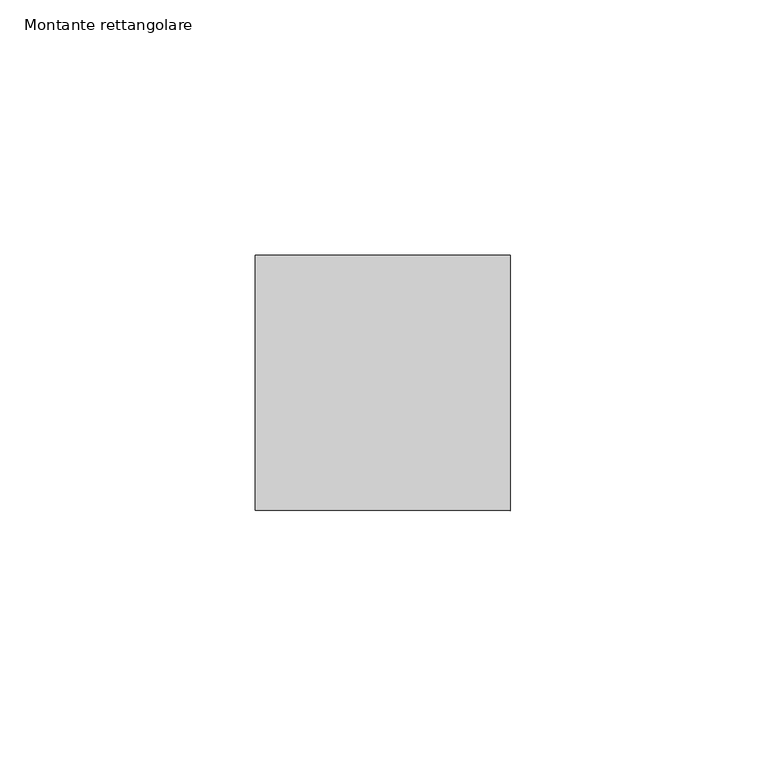
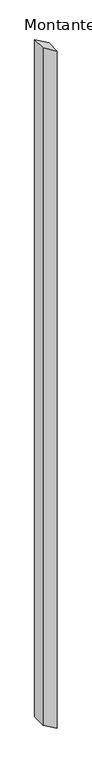
"""IFC4 building model written with IfcOpenShell, lengths in millimetres: member geometry, Montante rettangolare."""

import ifcopenshell
import ifcopenshell.guid

model = None  # the IFC model being written
_history = None  # IfcOwnerHistory: only IFC2X3 demands one
_inside = {}  # id of a spatial element -> (the spatial element, [elements in it])
_under = {}  # id of a project, library or spatial element -> (it, [spatial elements below it])
_declared = {}  # id of a project -> (the project, [libraries it declares])
_typed = {}  # id of a type object -> (the type object, [elements of that type])
_made_of = {}  # id of a material, layer set ... -> (it, [elements and type objects made of it])


def new_model(schema):
    """Start an empty IFC model of exactly this schema.

    Asked for "IFC4X3", IfcOpenShell would pick the latest addendum, in which some entities
    have other attributes; the version numbers below select the first issue.
    IFC2X3 requires an IfcOwnerHistory on every rooted entity: one is made here for all.
    """
    global model, _history
    if schema == "IFC4X3":
        model = ifcopenshell.file(schema_version=(4, 3, 0, 0))
    else:
        model = ifcopenshell.file(schema=schema)
    _inside.clear()
    _under.clear()
    _declared.clear()
    _typed.clear()
    _made_of.clear()
    _history = None
    if model.schema == "IFC2X3":
        org = make("IfcOrganization", Name="unknown")
        user = make(
            "IfcPersonAndOrganization",
            ThePerson=make("IfcPerson", FamilyName="unknown"),
            TheOrganization=org,
        )
        app = make(
            "IfcApplication",
            ApplicationDeveloper=org,
            Version="unknown",
            ApplicationFullName="unknown",
            ApplicationIdentifier="unknown",
        )
        _history = make(
            "IfcOwnerHistory",
            OwningUser=user,
            OwningApplication=app,
            ChangeAction="ADDED",
            CreationDate=0,
        )
    return model


def make(cls, **values):
    """One entity of the class cls with the attributes given. An attribute that is None is left unset."""
    return model.create_entity(
        cls, **{name: value for name, value in values.items() if value is not None}
    )


def rooted(cls, **values):
    """An entity with a GlobalId (a new one), such as an element, a storey or a relation."""
    return make(cls, GlobalId=ifcopenshell.guid.new(), OwnerHistory=_history, **values)


def si_unit(unit_type, name, prefix=None):
    """IfcSIUnit, for example si_unit("LENGTHUNIT", "METRE", prefix="MILLI")."""
    return make("IfcSIUnit", UnitType=unit_type, Prefix=prefix, Name=name)


def assignment(units):
    """IfcUnitAssignment: the units of a project."""
    return None if units is None else make("IfcUnitAssignment", Units=units)


def point(xyz):
    """IfcCartesianPoint."""
    return None if xyz is None else make("IfcCartesianPoint", Coordinates=xyz)


def direction(xyz):
    """IfcDirection."""
    return None if xyz is None else make("IfcDirection", DirectionRatios=xyz)


def frame(location, z_axis=None, x_axis=None):
    """IfcAxis2Placement3D, a coordinate frame: its origin and axes. An axis left out is left unset."""
    return make(
        "IfcAxis2Placement3D",
        Location=point(location),
        Axis=direction(z_axis),
        RefDirection=direction(x_axis),
    )


def origin():
    """The frame at (0, 0, 0) with its axes left unset."""
    return frame((0.0, 0.0, 0.0))


def place(relative_to, where):
    """IfcLocalPlacement: puts the frame where relative to a parent placement (None: the world)."""
    return make(
        "IfcLocalPlacement", PlacementRelTo=relative_to, RelativePlacement=where
    )


def context(
    kind, dimensions, precision=None, world=None, true_north=None, identifier=None
):
    """IfcGeometricRepresentationContext, for example the 3D "Model" context."""
    return make(
        "IfcGeometricRepresentationContext",
        ContextIdentifier=identifier,
        ContextType=kind,
        CoordinateSpaceDimension=dimensions,
        Precision=precision,
        WorldCoordinateSystem=world,
        TrueNorth=true_north,
    )


def project(units=None, contexts=None):
    """IfcProject with its units and contexts."""
    return rooted(
        "IfcProject",
        Name="project",
        RepresentationContexts=contexts,
        UnitsInContext=assignment(units),
    )


def spatial(cls, under=None, at=None, **own):
    """A site, building, storey or space (cls), placed at a placement, below another one or the project."""
    s = rooted(cls, ObjectPlacement=at, **own)
    if under is not None:
        _under.setdefault(under.id(), (under, []))[1].append(s)
    return s


def polyline(points):
    """IfcPolyline through the points."""
    return make("IfcPolyline", Points=[point(p) for p in points])


def outline(outer, holes=None, kind="AREA"):
    """IfcArbitraryClosedProfileDef: a profile drawn as a closed curve; with holes, ...WithVoids."""
    if holes is None:
        return make("IfcArbitraryClosedProfileDef", ProfileType=kind, OuterCurve=outer)
    return make(
        "IfcArbitraryProfileDefWithVoids",
        ProfileType=kind,
        OuterCurve=outer,
        InnerCurves=holes,
    )


def extrude(swept, where, along, depth):
    """IfcExtrudedAreaSolid: the profile swept, set in the frame where, extruded along a direction by depth."""
    return make(
        "IfcExtrudedAreaSolid",
        SweptArea=swept,
        Position=where,
        ExtrudedDirection=direction(along),
        Depth=depth,
    )


def shape(context_of_items, identifier, shape_type, items):
    """IfcShapeRepresentation: the items that make up one representation, for example the "Body"."""
    return make(
        "IfcShapeRepresentation",
        ContextOfItems=context_of_items,
        RepresentationIdentifier=identifier,
        RepresentationType=shape_type,
        Items=items,
    )


def source(mapping_origin, context_of_items, identifier, shape_type, items):
    """IfcRepresentationMap: a shape defined once, which mapped items show again and again."""
    return make(
        "IfcRepresentationMap",
        MappingOrigin=mapping_origin,
        MappedRepresentation=shape(context_of_items, identifier, shape_type, items),
    )


def transform(
    local_origin,
    x_axis=None,
    y_axis=None,
    z_axis=None,
    scale=None,
    scale2=None,
    scale3=None,
    uniform=True,
):
    """IfcCartesianTransformationOperator3D, or its non-uniform kind. x_axis, y_axis, z_axis: its Axis1, 2, 3."""
    if uniform:
        return make(
            "IfcCartesianTransformationOperator3D",
            Axis1=direction(x_axis),
            Axis2=direction(y_axis),
            LocalOrigin=point(local_origin),
            Scale=scale,
            Axis3=direction(z_axis),
        )
    return make(
        "IfcCartesianTransformationOperator3DnonUniform",
        Axis1=direction(x_axis),
        Axis2=direction(y_axis),
        LocalOrigin=point(local_origin),
        Scale=scale,
        Axis3=direction(z_axis),
        Scale2=scale2,
        Scale3=scale3,
    )


def mapped(mapping_source, mapping_target):
    """IfcMappedItem: shows the shape of a source again, moved by a transform."""
    return make(
        "IfcMappedItem", MappingSource=mapping_source, MappingTarget=mapping_target
    )


def made_of(thing, what):
    """Note that an element or type object is made of a material, layer set ...; save() writes the relation."""
    if what is not None:
        _made_of.setdefault(what.id(), (what, []))[1].append(thing)
    return thing


def element(
    cls,
    number,
    at=None,
    inside=None,
    cuts=None,
    type_object=None,
    material=None,
    context=None,
    identifier="Body",
    shape_type=None,
    held_by="IfcProductDefinitionShape",
    body=None,
    shapes=None,
    **own,
):
    """One element of the class cls, such as IfcWall. Its Tag is "e" and its number.

    at: its placement. inside: the storey or other place that contains it. cuts: it is an
    opening in that element (IfcRelVoidsElement). A single representation is given by context,
    identifier, shape_type and body (its items); several are given by shapes. held_by: the class
    of the entity that holds the representations. save() writes the other relations.
    """
    e = rooted(cls, Tag="e%d" % number, ObjectPlacement=at, **own)
    if body is not None:
        shapes = [shape(context, identifier, shape_type, body)]
    if shapes is not None:
        e.Representation = make(held_by, Representations=shapes)
    if inside is not None:
        _inside.setdefault(inside.id(), (inside, []))[1].append(e)
    if cuts is not None:
        rooted(
            "IfcRelVoidsElement", RelatingBuildingElement=cuts, RelatedOpeningElement=e
        )
    if type_object is not None:
        _typed.setdefault(type_object.id(), (type_object, []))[1].append(e)
    return made_of(e, material)


def aggregate(whole, parts):
    """IfcRelAggregates: a whole, such as a stair, and the parts it consists of."""
    return rooted("IfcRelAggregates", RelatingObject=whole, RelatedObjects=parts)


def save(model, path):
    """Write the relations noted so far, then the file.

    IfcRelAggregates (storeys below a building ...), IfcRelContainedInSpatialStructure (elements
    in a storey), IfcRelDefinesByType, IfcRelAssociatesMaterial and IfcRelDeclares: one each for
    every whole, place, type object, material and project.
    """
    for whole, parts in _under.values():
        aggregate(whole, parts)
    for where, things in _inside.values():
        rooted(
            "IfcRelContainedInSpatialStructure",
            RelatedElements=things,
            RelatingStructure=where,
        )
    for kind, things in _typed.values():
        rooted("IfcRelDefinesByType", RelatedObjects=things, RelatingType=kind)
    for what, things in _made_of.values():
        rooted("IfcRelAssociatesMaterial", RelatedObjects=things, RelatingMaterial=what)
    for by, libraries in _declared.values():
        rooted("IfcRelDeclares", RelatingContext=by, RelatedDefinitions=libraries)
    model.write(path)


def montante_rettangolare_8557c8d2(model_context):
    return source(origin(), model_context, "Body", "SweptSolid", [
        extrude(outline(polyline([(-31.2328203, 25.0), (-1.4859462, -25.0), (-2512.8687216, -25.0), (-2542.6155957, 25.0), (-31.2328203, 25.0)])), frame((0.0, -25.0, 0.0), z_axis=(0.0, 1.0, 0.0), x_axis=(0.0, 0.0, 1.0)), (0.0, 0.0, 1.0), 50.0),
    ])


if __name__ == "__main__":
    model = new_model("IFC4")
    model_context = context("Model", 3, world=origin())
    ifc_project = project(units=[si_unit("LENGTHUNIT", "METRE", prefix="MILLI")], contexts=[model_context])
    site = spatial("IfcSite", under=ifc_project)
    building = spatial("IfcBuilding", under=site)
    placement = place(None, origin())
    montante_rettangolare_shape = montante_rettangolare_8557c8d2(model_context)
    element("IfcMember", 1, ObjectType="Montante rettangolare", at=placement, inside=building, context=model_context, shape_type="MappedRepresentation", body=[
        mapped(montante_rettangolare_shape, transform((0.0, 0.0, 0.0), x_axis=(1.0, 0.0, 0.0), y_axis=(0.0, 1.0, 0.0), z_axis=(0.0, 0.0, 1.0))),
    ])
    save(model, "model.ifc")
